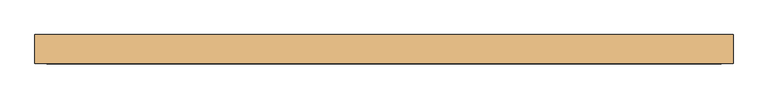
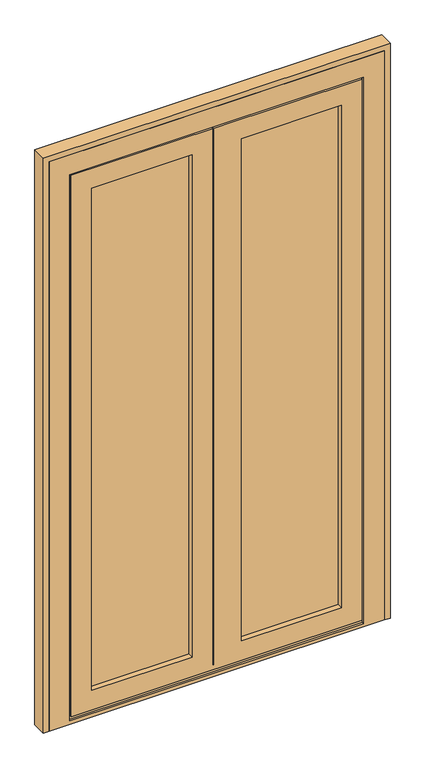
"""IFC4 building model written with IfcOpenShell, lengths in millimetres: door geometry."""

from ifc_helpers import new_model, si_unit, frame, origin, place, context, project, spatial, polyline, outline, extrude, faceted_brep, source, transform, mapped, element, save


def door_7eefd18b(model_context):
    return source(origin(), model_context, "Body", "SolidModel", [
        extrude(outline(polyline([(58.0, 70.0), (-325.0, 70.0), (-325.0, 91.0), (58.0, 91.0), (58.0, 70.0)])), frame((0.0, 0.0, 79.0), z_axis=(0.0, 0.0, 1.0), x_axis=(1.0, 0.0, 0.0)), (0.0, 0.0, 1.0), 1871.0),
        extrude(outline(polyline([(575.0, 70.0), (192.0, 70.0), (192.0, 91.0), (575.0, 91.0), (575.0, 70.0)])), frame((0.0, 0.0, 79.0), z_axis=(0.0, 0.0, 1.0), x_axis=(1.0, 0.0, 0.0)), (0.0, 0.0, 1.0), 1867.0),
        faceted_brep([(-401.0, 92.0, 3.0), (-401.0, 100.0, 3.0), (134.0, 100.0, 3.0), (134.0, 92.0, 3.0), (-383.0, 92.0, 3.0), (-383.0, 58.0, 3.0), (-392.0, 58.0, 3.0), (-392.0, 92.0, 3.0), (651.0, 92.0, 3.0), (642.0, 92.0, 3.0), (642.0, 58.0, 3.0), (633.0, 58.0, 3.0), (633.0, 92.0, 3.0), (139.0, 92.0, 3.0), (139.0, 100.0, 3.0), (651.0, 100.0, 3.0), (-401.0, 92.0, 2026.0), (-401.0, 100.0, 2026.0), (134.0, 100.0, 2026.0), (-307.0, 100.0, 1932.0), (-307.0, 100.0, 97.0), (40.0, 100.0, 97.0), (40.0, 100.0, 1932.0), (651.0, 100.0, 2026.0), (139.0, 100.0, 2026.0), (557.0, 100.0, 97.0), (557.0, 100.0, 1932.0), (210.0, 100.0, 1932.0), (210.0, 100.0, 97.0), (-307.0, 91.0, 1932.0), (-307.0, 91.0, 97.0), (-325.0, 91.0, 1950.0), (-325.0, 91.0, 79.0), (58.0, 91.0, 79.0), (58.0, 91.0, 1950.0), (40.0, 91.0, 1932.0), (40.0, 91.0, 97.0), (575.0, 91.0, 79.0), (575.0, 91.0, 1950.0), (192.0, 91.0, 1950.0), (192.0, 91.0, 79.0), (557.0, 91.0, 1932.0), (557.0, 91.0, 97.0), (210.0, 91.0, 97.0), (210.0, 91.0, 1932.0), (-325.0, 70.0, 1950.0), (-325.0, 70.0, 79.0), (58.0, 70.0, 1950.0), (58.0, 70.0, 79.0), (-307.0, 70.0, 1932.0), (-307.0, 70.0, 97.0), (40.0, 70.0, 97.0), (40.0, 70.0, 1932.0), (575.0, 70.0, 1950.0), (575.0, 70.0, 79.0), (192.0, 70.0, 79.0), (192.0, 70.0, 1950.0), (557.0, 70.0, 97.0), (557.0, 70.0, 1932.0), (210.0, 70.0, 1932.0), (210.0, 70.0, 97.0), (-307.0, 50.0, 1932.0), (-307.0, 50.0, 97.0), (-378.0, 50.0, 26.0), (628.0, 50.0, 26.0), (628.0, 50.0, 2003.0), (116.0, 50.0, 2003.0), (116.0, 50.0, 42.0), (111.0, 50.0, 42.0), (111.0, 50.0, 2003.0), (-378.0, 50.0, 2003.0), (40.0, 50.0, 1932.0), (40.0, 50.0, 97.0), (557.0, 50.0, 1932.0), (557.0, 50.0, 97.0), (210.0, 50.0, 97.0), (210.0, 50.0, 1932.0), (-378.0, 58.0, 2003.0), (-378.0, 58.0, 26.0), (642.0, 58.0, 2017.0), (-392.0, 58.0, 2017.0), (-383.0, 58.0, 12.0), (633.0, 58.0, 12.0), (111.0, 58.0, 42.0), (116.0, 58.0, 42.0), (116.0, 58.0, 2003.0), (628.0, 58.0, 2003.0), (628.0, 58.0, 26.0), (111.0, 58.0, 2003.0), (-392.0, 92.0, 2017.0), (134.0, 92.0, 2017.0), (134.0, 92.0, 2026.0), (642.0, 92.0, 2017.0), (651.0, 92.0, 2026.0), (139.0, 92.0, 2026.0), (139.0, 92.0, 2017.0), (633.0, 92.0, 12.0), (-383.0, 92.0, 12.0), (134.0, 92.0, 12.0), (139.0, 92.0, 12.0)], [[[0, 1, 2, 3, 4, 5, 6, 7]], [[8, 9, 10, 11, 12, 13, 14, 15]], [[1, 0, 16, 17]], [[1, 17, 18, 2], [19, 20, 21, 22]], [[23, 15, 14, 24], [25, 26, 27, 28]], [[19, 29, 30, 20]], [[31, 32, 33, 34], [30, 29, 35, 36]], [[37, 38, 39, 40], [41, 42, 43, 44]], [[31, 45, 46, 32]], [[46, 45, 47, 48], [49, 50, 51, 52]], [[53, 54, 55, 56], [57, 58, 59, 60]], [[49, 61, 62, 50]], [[63, 64, 65, 66, 67, 68, 69, 70], [62, 61, 71, 72], [73, 74, 75, 76]], [[70, 77, 78, 63]], [[10, 79, 80, 6, 5, 81, 82, 11], [83, 84, 85, 86, 87, 78, 77, 88]], [[7, 6, 80, 89]], [[0, 7, 89, 90, 91, 16]], [[92, 9, 8, 93, 94, 95]], [[17, 16, 91, 18]], [[93, 23, 24, 94]], [[29, 19, 22, 35]], [[26, 41, 44, 27]], [[45, 31, 34, 47]], [[38, 53, 56, 39]], [[61, 49, 52, 71]], [[58, 73, 76, 59]], [[77, 70, 69, 88]], [[65, 86, 85, 66]], [[80, 79, 92, 95, 90, 89]], [[15, 23, 93, 8]], [[41, 26, 25, 42]], [[53, 38, 37, 54]], [[73, 58, 57, 74]], [[86, 65, 64, 87]], [[79, 10, 9, 92]], [[20, 30, 36, 21]], [[42, 25, 28, 43]], [[32, 46, 48, 33]], [[54, 37, 40, 55]], [[50, 62, 72, 51]], [[74, 57, 60, 75]], [[82, 96, 12, 11]], [[97, 81, 5, 4]], [[96, 82, 81, 97, 98, 99]], [[12, 96, 99, 13]], [[97, 4, 3, 98]], [[66, 85, 84, 67]], [[76, 75, 60, 59]], [[39, 56, 55, 40]], [[44, 43, 28, 27]], [[14, 13, 99, 95, 94, 24]], [[90, 95, 99, 98]], [[3, 2, 18, 91, 90, 98]], [[36, 35, 22, 21]], [[47, 34, 33, 48]], [[72, 71, 52, 51]], [[68, 83, 88, 69]], [[87, 64, 63, 78]], [[84, 83, 68, 67]]]),
        faceted_brep([(-455.0, 50.0, 0.0), (-455.0, 100.0, 0.0), (705.0, 100.0, 0.0), (705.0, 50.0, 0.0), (-455.0, 100.0, 2080.0), (705.0, 100.0, 2080.0), (656.0, 100.0, 2031.0), (-406.0, 100.0, 2031.0), (-406.0, 100.0, 8.0), (134.0, 100.0, 8.0), (134.0, 100.0, 3.0), (139.0, 100.0, 3.0), (139.0, 100.0, 8.0), (656.0, 100.0, 8.0), (-406.0, 92.0, 2031.0), (-406.0, 92.0, 8.0), (656.0, 92.0, 2031.0), (656.0, 92.0, 8.0), (139.0, 92.0, 8.0), (139.0, 92.0, 3.0), (134.0, 92.0, 3.0), (134.0, 92.0, 8.0), (-392.0, 92.0, 2017.0), (-392.0, 92.0, 12.0), (642.0, 92.0, 12.0), (642.0, 92.0, 2017.0), (-392.0, 58.0, 2017.0), (-392.0, 58.0, 12.0), (642.0, 58.0, 2017.0), (642.0, 58.0, 12.0), (633.0, 58.0, 12.0), (633.0, 58.0, 2008.0), (116.0, 58.0, 2008.0), (111.0, 58.0, 2008.0), (-383.0, 58.0, 2008.0), (-383.0, 58.0, 12.0), (-383.0, 50.0, 2008.0), (-383.0, 50.0, 12.0), (705.0, 50.0, 2080.0), (-455.0, 50.0, 2080.0), (111.0, 50.0, 2008.0), (116.0, 50.0, 2008.0), (633.0, 50.0, 2008.0), (633.0, 50.0, 12.0)], [[[0, 1, 2, 3]], [[4, 5, 2, 1], [6, 7, 8, 9, 10, 11, 12, 13]], [[7, 14, 15, 8]], [[14, 16, 17, 18, 19, 20, 21, 15], [22, 23, 24, 25]], [[22, 26, 27, 23]], [[26, 28, 29, 30, 31, 32, 33, 34, 35, 27]], [[34, 36, 37, 35]], [[38, 39, 0, 3], [37, 36, 40, 41, 42, 43]], [[1, 0, 39, 4]], [[7, 6, 16, 14]], [[26, 22, 25, 28]], [[36, 34, 33, 32, 31, 42, 41, 40]], [[5, 4, 39, 38]], [[16, 6, 13, 17]], [[28, 25, 24, 29]], [[42, 31, 30, 43]], [[5, 38, 3, 2]], [[8, 15, 21, 9]], [[17, 13, 12, 18]], [[37, 43, 30, 29, 24, 23, 27, 35]], [[19, 11, 10, 20]], [[11, 19, 18, 12]], [[20, 10, 9, 21]]]),
        extrude(outline(polyline([(2100.0, -475.0), (0.0, -475.0), (0.0, -455.0), (2080.0, -455.0), (2080.0, 705.0), (0.0, 705.0), (0.0, 725.0), (2100.0, 725.0), (2100.0, -475.0)])), frame((0.0, 50.0, 0.0), z_axis=(0.0, 1.0, 0.0), x_axis=(0.0, 0.0, 1.0)), (0.0, 0.0, 1.0), 50.0),
    ])


if __name__ == "__main__":
    model = new_model("IFC4")
    model_context = context("Model", 3, world=origin())
    ifc_project = project(units=[si_unit("LENGTHUNIT", "METRE", prefix="MILLI")], contexts=[model_context])
    site = spatial("IfcSite", under=ifc_project)
    building = spatial("IfcBuilding", under=site)
    placement = place(None, origin())
    door_shape = door_7eefd18b(model_context)
    element("IfcDoor", 1, at=placement, inside=building, context=model_context, shape_type="MappedRepresentation", body=[
        mapped(door_shape, transform((0.0, 0.0, 0.0), x_axis=(1.0, 0.0, 0.0), y_axis=(0.0, 1.0, 0.0), z_axis=(0.0, 0.0, 1.0))),
    ])
    save(model, "model.ifc")
